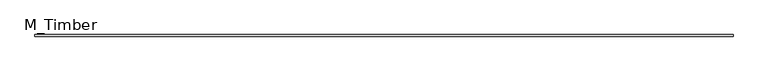
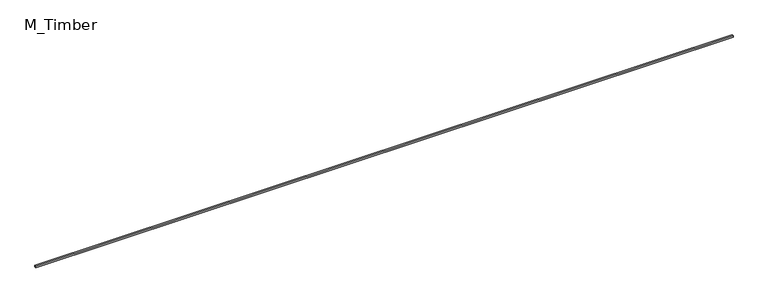
"""IFC4 building model written with IfcOpenShell, lengths in millimetres: beam geometry, M_Timber."""

from ifc_helpers import new_model, si_unit, frame, origin, place, context, project, spatial, polyline, outline, extrude, source, transform, mapped, element, save


def m_timber_1d2ac8df(model_context):
    return source(origin(), model_context, "Body", "SweptSolid", [
        extrude(outline(polyline([(8393.0026033, 20.0), (8393.0026033, -20.0), (-8393.0026033, -20.0), (-8393.0026033, 20.0), (8393.0026033, 20.0)])), frame((0.0, 0.0, -20.0), z_axis=(0.0, 0.0, 1.0), x_axis=(1.0, 0.0, 0.0)), (0.0, 0.0, 1.0), 40.0),
    ])


if __name__ == "__main__":
    model = new_model("IFC4")
    model_context = context("Model", 3, world=origin())
    ifc_project = project(units=[si_unit("LENGTHUNIT", "METRE", prefix="MILLI")], contexts=[model_context])
    site = spatial("IfcSite", under=ifc_project)
    building = spatial("IfcBuilding", under=site)
    placement = place(None, origin())
    m_timber_shape = m_timber_1d2ac8df(model_context)
    element("IfcBeam", 1, ObjectType="M_Timber", at=placement, inside=building, context=model_context, shape_type="MappedRepresentation", body=[
        mapped(m_timber_shape, transform((0.0, 0.0, 0.0), x_axis=(1.0, 0.0, 0.0), y_axis=(0.0, 1.0, 0.0), z_axis=(0.0, 0.0, 1.0))),
    ])
    save(model, "model.ifc")
